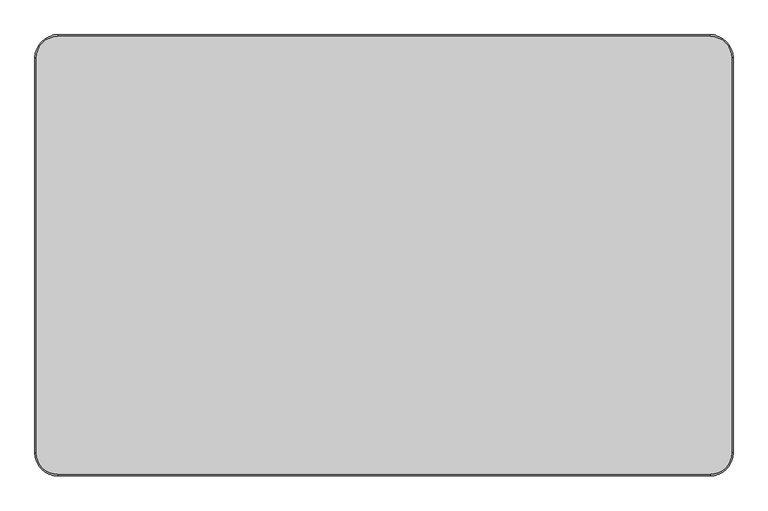
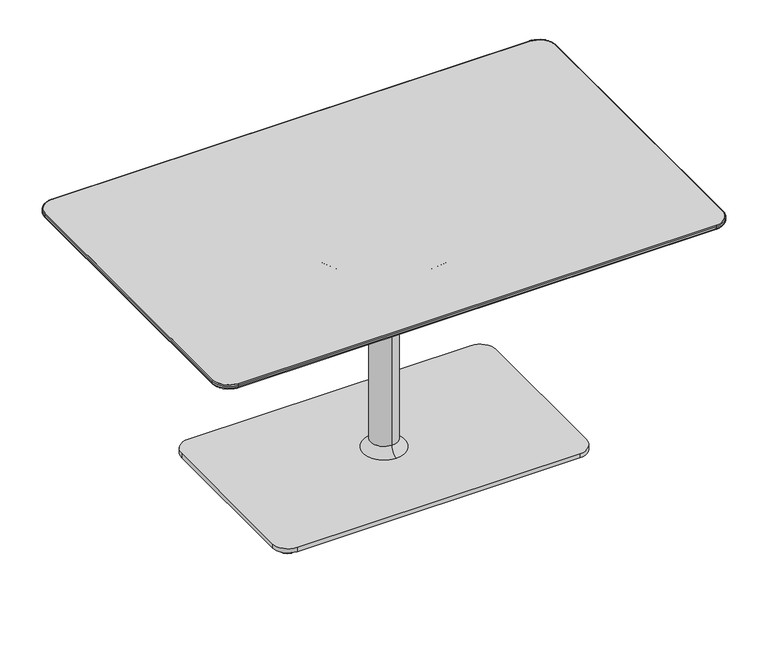
"""IFC4 building model written with IfcOpenShell, lengths in millimetres: furniture geometry."""

from ifc_helpers import new_model, si_unit, point, frame, frame_2d, origin, origin_with_axes, place, context, project, spatial, polyline, circle_curve, ellipse_curve, trimmed, segment, composite_curve, outline, extrude, source, transform, mapped, element, save
from ifc_brep_helpers import plane_surface, cylinder_surface, revolved_surface, spline_surface, advanced_brep


def furniture_2d8f92fe(model_context):
    return source(origin(), model_context, "Body", "SolidModel", [
        advanced_brep(
        [(721.1570059, 409.7063839, 711.8724172), (676.7070059, 454.1563839, 711.8724172), (-676.0969941, 454.1563839, 711.8724172), (-720.5469941, 409.7063839, 711.8724172), (-720.5469941, -409.7063839, 711.8724172), (-676.0969941, -454.1563839, 711.8724172), (676.7070059, -454.1563839, 711.8724172), (721.1570059, -409.7063839, 711.8724172), (653.3389826, 386.3390054, 693.8099277), (653.3389826, -386.3390054, 693.8099277), (-652.7289709, -386.3390054, 693.8099277), (-652.7289709, 386.3390054, 693.8099277)],
        [
            (0, 1, circle_curve(frame((676.7070059, 409.7063839, 711.8724172), z_axis=(0.0, 0.0, 1.0), x_axis=(1.0, 0.0, 0.0)), 44.45)),
            (1, 2),
            (2, 3, circle_curve(frame((-676.0969941, 409.7063839, 711.8724172), z_axis=(0.0, 0.0, 1.0), x_axis=(1.0, 0.0, 0.0)), 44.45)),
            (3, 4),
            (4, 5, circle_curve(frame((-676.0969941, -409.7063839, 711.8724172), z_axis=(0.0, 0.0, 1.0), x_axis=(1.0, 0.0, 0.0)), 44.45)),
            (5, 6),
            (6, 7, circle_curve(frame((676.7070059, -409.7063839, 711.8724172), z_axis=(0.0, 0.0, 1.0), x_axis=(1.0, 0.0, 0.0)), 44.45)),
            (7, 0),
            (8, 9),
            (9, 10),
            (10, 11),
            (11, 8),
            (0, 8),
            (8, 1),
            (11, 2),
            (11, 3),
            (10, 4),
            (10, 5),
            (9, 6),
            (9, 7),
        ],
        [
            plane_surface(frame((0.3050059, 0.0, 711.8724172), z_axis=(0.0, 0.0, 1.0), x_axis=(-1.0, 0.0, 0.0))),
            plane_surface(frame((0.3050059, 0.0, 693.8099277), z_axis=(0.0, 0.0, -1.0), x_axis=(-1.0, 0.0, 0.0))),
            spline_surface(2, 1, [[(653.3389826, 386.3390054, 693.8099277), (721.1570059, 409.7063839, 711.8724172)], [(653.3389826, 386.3390054, 693.8099277), (721.1570058999998, 454.1563838999999, 711.8724172)], [(653.3389826, 386.3390054, 693.8099277), (676.7070059, 454.1563839, 711.8724172)]], [3, 3], [2, 2], [0.0, 1.0], [0.0, 1.0], weights=[[1.0, 1.0], [0.707106781186548, 0.707106781186548], [1.0, 1.0]]),
            plane_surface(frame((0.3050059, 386.3390054, 693.8099277), z_axis=(0.0, 0.25736805130347823, -0.9663134513025523), x_axis=(-1.0, 0.0, 0.0))),
            spline_surface(2, 1, [[(-652.7289709, 386.3390054, 693.8099277), (-676.0969941, 454.1563839, 711.8724172)], [(-652.7289709, 386.3390054, 693.8099277), (-720.5469940999999, 454.1563838999999, 711.8724172)], [(-652.7289709, 386.3390054, 693.8099277), (-720.5469941, 409.7063839, 711.8724172)]], [3, 3], [2, 2], [0.0, 1.0], [0.0, 1.0], weights=[[1.0, 1.0], [0.707106781186548, 0.707106781186548], [1.0, 1.0]]),
            plane_surface(frame((-652.7289709, 0.0, 693.8099277), z_axis=(-0.2573657667501401, 0.0, -0.9663140597678959), x_axis=(0.0, -1.0, 0.0))),
            spline_surface(2, 1, [[(-652.7289709, -386.3390054, 693.8099277), (-720.5469941, -409.7063839, 711.8724172)], [(-652.7289709, -386.3390054, 693.8099277), (-720.5469941000001, -454.15638390000004, 711.8724172)], [(-652.7289709, -386.3390054, 693.8099277), (-676.0969941, -454.1563839, 711.8724172)]], [3, 3], [2, 2], [0.0, 1.0], [0.0, 1.0], weights=[[1.0, 1.0], [0.7071067811865471, 0.7071067811865471], [1.0, 1.0]]),
            plane_surface(frame((0.3050059, -386.3390054, 693.8099277), z_axis=(0.0, -0.25736805130347823, -0.9663134513025523), x_axis=(1.0, 0.0, 0.0))),
            spline_surface(2, 1, [[(653.3389826, -386.3390054, 693.8099277), (676.7070059, -454.1563839, 711.8724172)], [(653.3389826, -386.3390054, 693.8099277), (721.1570059000001, -454.15638390000004, 711.8724172)], [(653.3389826, -386.3390054, 693.8099277), (721.1570059, -409.7063839, 711.8724172)]], [3, 3], [2, 2], [0.0, 1.0], [0.0, 1.0], weights=[[1.0, 1.0], [0.707106781186547, 0.707106781186547], [1.0, 1.0]]),
            plane_surface(frame((653.3389826, 0.0, 693.8099277), z_axis=(0.25736576675014056, 0.0, -0.9663140597678957), x_axis=(0.0, 1.0, 0.0))),
        ],
        [
            (0, [[1, 2, 3, 4, 5, 6, 7, 8]]),
            (1, [[9, 10, 11, 12]]),
            (2, [[-1, 13, 14]]),
            (3, [[-12, 15, -2, -14]]),
            (4, [[-3, -15, 16]]),
            (5, [[-11, 17, -4, -16]]),
            (6, [[-5, -17, 18]]),
            (7, [[-10, 19, -6, -18]]),
            (8, [[-7, -19, 20]]),
            (9, [[-9, -13, -8, -20]]),
        ],
    ),
        extrude(outline(composite_curve([segment(trimmed(circle_curve(frame_2d((676.7070059, 409.7063839)), 44.45), [point((676.7070059, 454.1563839))], [point((721.1570059, 409.7063839))], False, "CARTESIAN"), True, "CONTINUOUS"), segment(polyline([(721.1570059, 409.7063839), (721.1570059, -409.7063839)]), True, "CONTINUOUS"), segment(trimmed(circle_curve(frame_2d((676.7070059, -409.7063839)), 44.45), [point((721.1570059, -409.7063839))], [point((676.7070059, -454.1563839))], False, "CARTESIAN"), True, "CONTINUOUS"), segment(polyline([(676.7070059, -454.1563839), (-676.0969941, -454.1563839)]), True, "CONTINUOUS"), segment(trimmed(circle_curve(frame_2d((-676.0969941, -409.7063839)), 44.45), [point((-676.0969941, -454.1563839))], [point((-720.5469941, -409.7063839))], False, "CARTESIAN"), True, "CONTINUOUS"), segment(polyline([(-720.5469941, -409.7063839), (-720.5469941, 409.7063839)]), True, "CONTINUOUS"), segment(trimmed(circle_curve(frame_2d((-676.0969941, 409.7063839)), 44.45), [point((-720.5469941, 409.7063839))], [point((-676.0969941, 454.1563839))], False, "CARTESIAN"), True, "CONTINUOUS"), segment(polyline([(-676.0969941, 454.1563839), (676.7070059, 454.1563839)]), True, "CONTINUOUS")], self_intersect=False)), frame((0.0, 0.0, 711.8724172), z_axis=(0.0, 0.0, 1.0), x_axis=(1.0, 0.0, 0.0)), (0.0, 0.0, 1.0), 12.0275828),
        extrude(outline(composite_curve([segment(trimmed(circle_curve(frame_2d((-404.2943146, 226.8029495)), 25.4), [point((-429.6943146, 226.8029495))], [point((-378.8943146, 226.8029495))], False, "CARTESIAN"), True, "CONTINUOUS"), segment(trimmed(circle_curve(frame_2d((-404.2943146, 226.8029495)), 25.4), [point((-378.8943146, 226.8029495))], [point((-429.6943146, 226.8029495))], False, "CARTESIAN"), True, "CONTINUOUS")], self_intersect=False)), origin_with_axes(), (0.0, 0.0, 1.0), 10.6571495),
        extrude(outline(composite_curve([segment(trimmed(circle_curve(frame_2d((404.9043263, 226.8029495)), 25.4), [point((379.5043263, 226.8029495))], [point((430.3043263, 226.8029495))], False, "CARTESIAN"), True, "CONTINUOUS"), segment(trimmed(circle_curve(frame_2d((404.9043263, 226.8029495)), 25.4), [point((430.3043263, 226.8029495))], [point((379.5043263, 226.8029495))], False, "CARTESIAN"), True, "CONTINUOUS")], self_intersect=False)), origin_with_axes(), (0.0, 0.0, 1.0), 10.6571495),
        extrude(outline(composite_curve([segment(trimmed(circle_curve(frame_2d((404.9043263, -226.8029495)), 25.4), [point((379.5043263, -226.8029495))], [point((430.3043263, -226.8029495))], False, "CARTESIAN"), True, "CONTINUOUS"), segment(trimmed(circle_curve(frame_2d((404.9043263, -226.8029495)), 25.4), [point((430.3043263, -226.8029495))], [point((379.5043263, -226.8029495))], False, "CARTESIAN"), True, "CONTINUOUS")], self_intersect=False)), origin_with_axes(), (0.0, 0.0, 1.0), 10.6571495),
        extrude(outline(composite_curve([segment(trimmed(circle_curve(frame_2d((-404.2943146, -226.8029495)), 25.4), [point((-429.6943146, -226.8029495))], [point((-378.8943146, -226.8029495))], False, "CARTESIAN"), True, "CONTINUOUS"), segment(trimmed(circle_curve(frame_2d((-404.2943146, -226.8029495)), 25.4), [point((-378.8943146, -226.8029495))], [point((-429.6943146, -226.8029495))], False, "CARTESIAN"), True, "CONTINUOUS")], self_intersect=False)), origin_with_axes(), (0.0, 0.0, 1.0), 10.6571495),
        extrude(outline(composite_curve([segment(trimmed(circle_curve(frame_2d((400.3550059, 222.2481833)), 44.45), [point((400.3550059, 266.6981833))], [point((444.8050059, 222.2481833))], False, "CARTESIAN"), True, "CONTINUOUS"), segment(polyline([(444.8050059, 222.2481833), (444.8050059, -222.2481833)]), True, "CONTINUOUS"), segment(trimmed(circle_curve(frame_2d((400.3550059, -222.2481833)), 44.45), [point((444.8050059, -222.2481833))], [point((400.3550059, -266.6981833))], False, "CARTESIAN"), True, "CONTINUOUS"), segment(polyline([(400.3550059, -266.6981833), (-399.7449941, -266.6981833)]), True, "CONTINUOUS"), segment(trimmed(circle_curve(frame_2d((-399.7449941, -222.2481833)), 44.45), [point((-399.7449941, -266.6981833))], [point((-444.1949941, -222.2481833))], False, "CARTESIAN"), True, "CONTINUOUS"), segment(polyline([(-444.1949941, -222.2481833), (-444.1949941, 222.2481833)]), True, "CONTINUOUS"), segment(trimmed(circle_curve(frame_2d((-399.7449941, 222.2481833)), 44.45), [point((-444.1949941, 222.2481833))], [point((-399.7449941, 266.6981833))], False, "CARTESIAN"), True, "CONTINUOUS"), segment(polyline([(-399.7449941, 266.6981833), (400.3550059, 266.6981833)]), True, "CONTINUOUS")], self_intersect=False)), frame((0.0, 0.0, 10.6571495), z_axis=(0.0, 0.0, 1.0), x_axis=(1.0, 0.0, 0.0)), (0.0, 0.0, 1.0), 12.7000004),
        advanced_brep(
        [(-723.5930954, 409.7063839, 715.6656816), (-676.0969941, 457.2024852, 715.6656816), (-676.0969941, 454.1563839, 711.8724172), (-720.5469941, 409.7063839, 711.8724172), (-723.5930954, 409.7063839, 720.8538988), (-676.0969941, 457.2024852, 720.8538988), (-720.5469941, 409.7063839, 723.9), (-676.0969941, 454.1563839, 723.9), (-720.5469941, -409.7063839, 711.8724172), (-723.5930954, -409.7063839, 715.6656816), (-723.5930954, -409.7063839, 720.8538988), (-720.5469941, -409.7063839, 723.9), (-676.0969941, -457.2024852, 715.6656816), (-676.0969941, -454.1563839, 711.8724172), (-676.0969941, -457.2024852, 720.8538988), (-676.0969941, -454.1563839, 723.9), (676.7070059, -454.1563839, 711.8724172), (676.7070059, -457.2024852, 715.6656816), (676.7070059, -457.2024852, 720.8538988), (676.7070059, -454.1563839, 723.9), (724.2031071, -409.7063839, 715.6656816), (721.1570059, -409.7063839, 711.8724172), (724.2031071, -409.7063839, 720.8538988), (721.1570059, -409.7063839, 723.9), (721.1570059, 409.7063839, 711.8724172), (724.2031071, 409.7063839, 715.6656816), (724.2031071, 409.7063839, 720.8538988), (721.1570059, 409.7063839, 723.9), (676.7070059, 457.2024852, 715.6656816), (676.7070059, 454.1563839, 711.8724172), (676.7070059, 457.2024852, 720.8538988), (676.7070059, 454.1563839, 723.9)],
        [
            (0, 1, circle_curve(frame((-676.0969941, 409.7063839, 715.6656816), z_axis=(0.0, 0.0, -1.0), x_axis=(0.0, 1.0, 0.0)), 47.4961012)),
            (1, 2, circle_curve(frame((-676.0969941, 453.3175869, 715.6656816), z_axis=(-1.0, 0.0, 0.0), x_axis=(0.0, -1.0, 0.0)), 3.8848983)),
            (2, 3, circle_curve(frame((-676.0969941, 409.7063839, 711.8724172), z_axis=(0.0, 0.0, 1.0), x_axis=(0.0, 1.0, 0.0)), 44.45)),
            (3, 0, circle_curve(frame((-719.7081971, 409.7063839, 715.6656816), z_axis=(0.0, 1.0, 0.0), x_axis=(1.0, 0.0, 0.0)), 3.8848983)),
            (4, 5, circle_curve(frame((-676.0969941, 409.7063839, 720.8538988), z_axis=(0.0, 0.0, -1.0), x_axis=(0.0, 1.0, 0.0)), 47.4961012)),
            (5, 1),
            (0, 4),
            (6, 7, circle_curve(frame((-676.0969941, 409.7063839, 723.9), z_axis=(0.0, 0.0, -1.0), x_axis=(0.0, 1.0, 0.0)), 44.45)),
            (7, 5, circle_curve(frame((-676.0969941, 454.1563839, 720.8538988), z_axis=(-1.0, 0.0, 0.0), x_axis=(0.0, -1.0, 0.0)), 3.0461012)),
            (4, 6, circle_curve(frame((-720.5469941, 409.7063839, 720.8538988), z_axis=(0.0, 1.0, 0.0), x_axis=(1.0, 0.0, 0.0)), 3.0461012)),
            (2, 7),
            (6, 3),
            (3, 8),
            (8, 9, circle_curve(frame((-719.7081971, -409.7063839, 715.6656816), z_axis=(0.0, 1.0, 0.0), x_axis=(1.0, 0.0, 0.0)), 3.8848983)),
            (9, 0),
            (9, 10),
            (10, 4),
            (10, 11, circle_curve(frame((-720.5469941, -409.7063839, 720.8538988), z_axis=(0.0, 1.0, 0.0), x_axis=(1.0, 0.0, 0.0)), 3.0461012)),
            (11, 6),
            (11, 8),
            (12, 9, circle_curve(frame((-676.0969941, -409.7063839, 715.6656816), z_axis=(0.0, 0.0, -1.0), x_axis=(-1.0, 0.0, 0.0)), 47.4961012)),
            (8, 13, circle_curve(frame((-676.0969941, -409.7063839, 711.8724172), z_axis=(0.0, 0.0, 1.0), x_axis=(-1.0, 0.0, 0.0)), 44.45)),
            (13, 12, circle_curve(frame((-676.0969941, -453.3175869, 715.6656816), z_axis=(-1.0, 0.0, 0.0), x_axis=(0.0, 1.0, 0.0)), 3.8848983)),
            (14, 10, circle_curve(frame((-676.0969941, -409.7063839, 720.8538988), z_axis=(0.0, 0.0, -1.0), x_axis=(-1.0, 0.0, 0.0)), 47.4961012)),
            (12, 14),
            (15, 11, circle_curve(frame((-676.0969941, -409.7063839, 723.9), z_axis=(0.0, 0.0, -1.0), x_axis=(-1.0, 0.0, 0.0)), 44.45)),
            (14, 15, circle_curve(frame((-676.0969941, -454.1563839, 720.8538988), z_axis=(-1.0, 0.0, 0.0), x_axis=(0.0, 1.0, 0.0)), 3.0461012)),
            (15, 13),
            (13, 16),
            (16, 17, circle_curve(frame((676.7070059, -453.3175869, 715.6656816), z_axis=(-1.0, 0.0, 0.0), x_axis=(0.0, 1.0, 0.0)), 3.8848983)),
            (17, 12),
            (17, 18),
            (18, 14),
            (18, 19, circle_curve(frame((676.7070059, -454.1563839, 720.8538988), z_axis=(-1.0, 0.0, 0.0), x_axis=(0.0, 1.0, 0.0)), 3.0461012)),
            (19, 15),
            (19, 16),
            (20, 17, circle_curve(frame((676.7070059, -409.7063839, 715.6656816), z_axis=(0.0, 0.0, -1.0), x_axis=(0.0, -1.0, 0.0)), 47.4961012)),
            (16, 21, circle_curve(frame((676.7070059, -409.7063839, 711.8724172), z_axis=(0.0, 0.0, 1.0), x_axis=(0.0, -1.0, 0.0)), 44.45)),
            (21, 20, circle_curve(frame((720.3182088, -409.7063839, 715.6656816), z_axis=(0.0, -1.0, 0.0), x_axis=(-1.0, 0.0, 0.0)), 3.8848983)),
            (22, 18, circle_curve(frame((676.7070059, -409.7063839, 720.8538988), z_axis=(0.0, 0.0, -1.0), x_axis=(0.0, -1.0, 0.0)), 47.4961012)),
            (20, 22),
            (23, 19, circle_curve(frame((676.7070059, -409.7063839, 723.9), z_axis=(0.0, 0.0, -1.0), x_axis=(0.0, -1.0, 0.0)), 44.45)),
            (22, 23, circle_curve(frame((721.1570059, -409.7063839, 720.8538988), z_axis=(0.0, -1.0, 0.0), x_axis=(-1.0, 0.0, 0.0)), 3.0461012)),
            (23, 21),
            (21, 24),
            (24, 25, circle_curve(frame((720.3182088, 409.7063839, 715.6656816), z_axis=(0.0, -1.0, 0.0), x_axis=(-1.0, 0.0, 0.0)), 3.8848983)),
            (25, 20),
            (25, 26),
            (26, 22),
            (26, 27, circle_curve(frame((721.1570059, 409.7063839, 720.8538988), z_axis=(0.0, -1.0, 0.0), x_axis=(-1.0, 0.0, 0.0)), 3.0461012)),
            (27, 23),
            (27, 24),
            (28, 25, circle_curve(frame((676.7070059, 409.7063839, 715.6656816), z_axis=(0.0, 0.0, -1.0), x_axis=(1.0, 0.0, 0.0)), 47.4961012)),
            (24, 29, circle_curve(frame((676.7070059, 409.7063839, 711.8724172), z_axis=(0.0, 0.0, 1.0), x_axis=(1.0, 0.0, 0.0)), 44.45)),
            (29, 28, circle_curve(frame((676.7070059, 453.3175869, 715.6656816), z_axis=(1.0, 0.0, 0.0), x_axis=(0.0, -1.0, 0.0)), 3.8848983)),
            (30, 26, circle_curve(frame((676.7070059, 409.7063839, 720.8538988), z_axis=(0.0, 0.0, -1.0), x_axis=(1.0, 0.0, 0.0)), 47.4961012)),
            (28, 30),
            (31, 27, circle_curve(frame((676.7070059, 409.7063839, 723.9), z_axis=(0.0, 0.0, -1.0), x_axis=(1.0, 0.0, 0.0)), 44.45)),
            (30, 31, circle_curve(frame((676.7070059, 454.1563839, 720.8538988), z_axis=(1.0, 0.0, 0.0), x_axis=(0.0, -1.0, 0.0)), 3.0461012)),
            (31, 29),
            (29, 2),
            (1, 28),
            (5, 30),
            (7, 31),
        ],
        [
            revolved_surface(trimmed(ellipse_curve(frame((-676.0969941, 453.3175869, 715.6656816), z_axis=(1.0, 0.0, 0.0), x_axis=(0.0, -1.0, 0.0)), 3.8848983, 3.8848983), [point((-676.0969941, 454.1563839, 711.8724172))], [point((-676.0969941, 457.2024852, 715.6656816))], True, "CARTESIAN"), (-676.0969941, 409.7063839, 0.0), (0.0, 0.0, 1.0)),
            cylinder_surface(frame((-676.0969941, 409.7063839, 0.0), z_axis=(0.0, 0.0, 1.0), x_axis=(0.0, 1.0, 0.0)), 47.4961012),
            revolved_surface(trimmed(ellipse_curve(frame((-676.0969941, 454.1563839, 720.8538988), z_axis=(1.0, 0.0, 0.0), x_axis=(0.0, -1.0, 0.0)), 3.0461012, 3.0461012), [point((-676.0969941, 457.2024852, 720.8538988))], [point((-676.0969941, 454.1563839, 723.9))], True, "CARTESIAN"), (-676.0969941, 409.7063839, 0.0), (0.0, 0.0, 1.0)),
            revolved_surface(polyline([(-676.0969941, 454.1563839, 723.9), (-676.0969941, 454.1563839, 711.8724172)]), (-676.0969941, 409.7063839, 0.0), (0.0, 0.0, 1.0)),
            cylinder_surface(frame((-719.7081971, 409.7063839, 715.6656816), z_axis=(0.0, 1.0, 0.0), x_axis=(1.0, 0.0, 0.0)), 3.8848983),
            plane_surface(frame((-723.5930954, 409.7063839, 715.6656816), z_axis=(-1.0, 0.0, 0.0), x_axis=(0.0, -1.0, 0.0))),
            cylinder_surface(frame((-720.5469941, 409.7063839, 720.8538988), z_axis=(0.0, 1.0, 0.0), x_axis=(1.0, 0.0, 0.0)), 3.0461012),
            plane_surface(frame((-720.5469941, 409.7063839, 723.9), z_axis=(1.0, 0.0, 0.0), x_axis=(0.0, -1.0, 0.0))),
            revolved_surface(trimmed(ellipse_curve(frame((-719.7081971, -409.7063839, 715.6656816), z_axis=(0.0, 1.0, 0.0), x_axis=(1.0, 0.0, 0.0)), 3.8848983, 3.8848983), [point((-720.5469941, -409.7063839, 711.8724172))], [point((-723.5930954, -409.7063839, 715.6656816))], True, "CARTESIAN"), (-676.0969941, -409.7063839, 0.0), (0.0, 0.0, 1.0)),
            cylinder_surface(frame((-676.0969941, -409.7063839, 0.0), z_axis=(0.0, 0.0, 1.0), x_axis=(-1.0, 0.0, 0.0)), 47.4961012),
            revolved_surface(trimmed(ellipse_curve(frame((-720.5469941, -409.7063839, 720.8538988), z_axis=(0.0, 1.0, 0.0), x_axis=(1.0, 0.0, 0.0)), 3.0461012, 3.0461012), [point((-723.5930954, -409.7063839, 720.8538988))], [point((-720.5469941, -409.7063839, 723.9))], True, "CARTESIAN"), (-676.0969941, -409.7063839, 0.0), (0.0, 0.0, 1.0)),
            revolved_surface(polyline([(-720.5469941, -409.7063839, 723.9), (-720.5469941, -409.7063839, 711.8724172)]), (-676.0969941, -409.7063839, 0.0), (0.0, 0.0, 1.0)),
            cylinder_surface(frame((-676.0969941, -453.3175869, 715.6656816), z_axis=(-1.0, 0.0, 0.0), x_axis=(0.0, 1.0, 0.0)), 3.8848983),
            plane_surface(frame((-676.0969941, -457.2024852, 715.6656816), z_axis=(0.0, -1.0, 0.0), x_axis=(1.0, 0.0, 0.0))),
            cylinder_surface(frame((-676.0969941, -454.1563839, 720.8538988), z_axis=(-1.0, 0.0, 0.0), x_axis=(0.0, 1.0, 0.0)), 3.0461012),
            plane_surface(frame((-676.0969941, -454.1563839, 723.9), z_axis=(0.0, 1.0, 0.0), x_axis=(1.0, 0.0, 0.0))),
            revolved_surface(trimmed(ellipse_curve(frame((676.7070059, -453.3175869, 715.6656816), z_axis=(-1.0, 0.0, 0.0), x_axis=(0.0, 1.0, 0.0)), 3.8848983, 3.8848983), [point((676.7070059, -454.1563839, 711.8724172))], [point((676.7070059, -457.2024852, 715.6656816))], True, "CARTESIAN"), (676.7070059, -409.7063839, 0.0), (0.0, 0.0, 1.0)),
            cylinder_surface(frame((676.7070059, -409.7063839, 0.0), z_axis=(0.0, 0.0, 1.0), x_axis=(0.0, -1.0, 0.0)), 47.4961012),
            revolved_surface(trimmed(ellipse_curve(frame((676.7070059, -454.1563839, 720.8538988), z_axis=(-1.0, 0.0, 0.0), x_axis=(0.0, 1.0, 0.0)), 3.0461012, 3.0461012), [point((676.7070059, -457.2024852, 720.8538988))], [point((676.7070059, -454.1563839, 723.9))], True, "CARTESIAN"), (676.7070059, -409.7063839, 0.0), (0.0, 0.0, 1.0)),
            revolved_surface(polyline([(676.7070059, -454.1563839, 723.9), (676.7070059, -454.1563839, 711.8724172)]), (676.7070059, -409.7063839, 0.0), (0.0, 0.0, 1.0)),
            cylinder_surface(frame((720.3182088, -409.7063839, 715.6656816), z_axis=(0.0, -1.0, 0.0), x_axis=(-1.0, 0.0, 0.0)), 3.8848983),
            plane_surface(frame((724.2031071, -409.7063839, 715.6656816), z_axis=(1.0, 0.0, 0.0), x_axis=(0.0, 1.0, 0.0))),
            cylinder_surface(frame((721.1570059, -409.7063839, 720.8538988), z_axis=(0.0, -1.0, 0.0), x_axis=(-1.0, 0.0, 0.0)), 3.0461012),
            plane_surface(frame((721.1570059, -409.7063839, 723.9), z_axis=(-1.0, 0.0, 0.0), x_axis=(0.0, 1.0, 0.0))),
            revolved_surface(trimmed(ellipse_curve(frame((720.3182088, 409.7063839, 715.6656816), z_axis=(0.0, -1.0, 0.0), x_axis=(-1.0, 0.0, 0.0)), 3.8848983, 3.8848983), [point((721.1570059, 409.7063839, 711.8724172))], [point((724.2031071, 409.7063839, 715.6656816))], True, "CARTESIAN"), (676.7070059, 409.7063839, 0.0), (0.0, 0.0, 1.0)),
            cylinder_surface(frame((676.7070059, 409.7063839, 0.0), z_axis=(0.0, 0.0, 1.0), x_axis=(1.0, 0.0, 0.0)), 47.4961012),
            revolved_surface(trimmed(ellipse_curve(frame((721.1570059, 409.7063839, 720.8538988), z_axis=(0.0, -1.0, 0.0), x_axis=(-1.0, 0.0, 0.0)), 3.0461012, 3.0461012), [point((724.2031071, 409.7063839, 720.8538988))], [point((721.1570059, 409.7063839, 723.9))], True, "CARTESIAN"), (676.7070059, 409.7063839, 0.0), (0.0, 0.0, 1.0)),
            revolved_surface(polyline([(721.1570059000001, 409.7063839, 723.9), (721.1570059000001, 409.7063839, 711.8724172)]), (676.7070059, 409.7063839, 0.0), (0.0, 0.0, 1.0)),
            cylinder_surface(frame((676.7070059, 453.3175869, 715.6656816), z_axis=(1.0, 0.0, 0.0), x_axis=(0.0, -1.0, 0.0)), 3.8848983),
            plane_surface(frame((676.7070059, 457.2024852, 715.6656816), z_axis=(0.0, 1.0, 0.0), x_axis=(-1.0, 0.0, 0.0))),
            cylinder_surface(frame((676.7070059, 454.1563839, 720.8538988), z_axis=(1.0, 0.0, 0.0), x_axis=(0.0, -1.0, 0.0)), 3.0461012),
            plane_surface(frame((676.7070059, 454.1563839, 723.9), z_axis=(0.0, -1.0, 0.0), x_axis=(-1.0, 0.0, 0.0))),
        ],
        [
            (0, [[1, 2, 3, 4]]),
            (1, [[5, 6, -1, 7]]),
            (2, [[8, 9, -5, 10]]),
            (3, [[-3, 11, -8, 12]]),
            (4, [[-4, 13, 14, 15]]),
            (5, [[-7, -15, 16, 17]]),
            (6, [[-10, -17, 18, 19]]),
            (7, [[-12, -19, 20, -13]]),
            (8, [[21, -14, 22, 23]]),
            (9, [[24, -16, -21, 25]]),
            (10, [[26, -18, -24, 27]]),
            (11, [[-22, -20, -26, 28]]),
            (12, [[-23, 29, 30, 31]]),
            (13, [[-25, -31, 32, 33]]),
            (14, [[-27, -33, 34, 35]]),
            (15, [[-28, -35, 36, -29]]),
            (16, [[37, -30, 38, 39]]),
            (17, [[40, -32, -37, 41]]),
            (18, [[42, -34, -40, 43]]),
            (19, [[-38, -36, -42, 44]]),
            (20, [[-39, 45, 46, 47]]),
            (21, [[-41, -47, 48, 49]]),
            (22, [[-43, -49, 50, 51]]),
            (23, [[-44, -51, 52, -45]]),
            (24, [[53, -46, 54, 55]]),
            (25, [[56, -48, -53, 57]]),
            (26, [[58, -50, -56, 59]]),
            (27, [[-54, -52, -58, 60]]),
            (28, [[-55, 61, -2, 62]]),
            (29, [[-57, -62, -6, 63]]),
            (30, [[-59, -63, -9, 64]]),
            (31, [[-60, -64, -11, -61]]),
        ],
    ),
        advanced_brep(
        [(0.3050059, -37.9287895, 564.3567695), (0.3050059, 37.9287895, 564.3567695), (0.3050059, 37.9287895, 50.0429711), (0.3050059, -37.9287895, 50.0429711), (0.3050059, -59.3395816, 602.3698908), (0.3050059, 59.3395816, 602.3698908), (0.3050059, -197.9068019, 686.3534968), (0.3050059, 197.9068019, 686.3534968), (0.3050059, -212.4265152, 690.4101307), (0.3050059, 212.4265152, 690.4101307), (0.3050059, -226.4292749, 690.4101307), (0.3050059, 226.4292749, 690.4101307), (0.3050059, -228.4774392, 693.8099277), (0.3050059, 228.4774392, 693.8099277), (0.3050059, 0.0, 693.8099277), (0.3050059, -60.2304855, 23.3571499), (0.3050059, 60.2304855, 23.3571499), (0.3050059, 0.0, 23.3571499)],
        [
            (0, 1, circle_curve(frame((0.3050059, 0.0, 564.3567695), z_axis=(0.0, 0.0, -1.0), x_axis=(0.0, 1.0, 0.0)), 37.9287895)),
            (1, 2),
            (2, 3, circle_curve(frame((0.3050059, 0.0, 50.0429711), z_axis=(0.0, 0.0, 1.0), x_axis=(0.0, 1.0, 0.0)), 37.9287895)),
            (3, 0),
            (1, 0, circle_curve(frame((0.3050059, 0.0, 564.3567695), z_axis=(0.0, 0.0, -1.0), x_axis=(0.0, 1.0, 0.0)), 37.9287895)),
            (3, 2, circle_curve(frame((0.3050059, 0.0, 50.0429711), z_axis=(0.0, 0.0, 1.0), x_axis=(0.0, 1.0, 0.0)), 37.9287895)),
            (4, 5, circle_curve(frame((0.3050059, 0.0, 602.3698908), z_axis=(0.0, 0.0, -1.0), x_axis=(0.0, 1.0, 0.0)), 59.3395816)),
            (5, 1, circle_curve(frame((0.3050059, 82.3787895, 564.3567695), z_axis=(1.0, 0.0, 0.0), x_axis=(0.0, 1.0, 0.0)), 44.45)),
            (0, 4, circle_curve(frame((0.3050059, -82.3787895, 564.3567695), z_axis=(1.0, 0.0, 0.0), x_axis=(0.0, -1.0, 0.0)), 44.45)),
            (5, 4, circle_curve(frame((0.3050059, 0.0, 602.3698908), z_axis=(0.0, 0.0, -1.0), x_axis=(0.0, 1.0, 0.0)), 59.3395816)),
            (6, 7, circle_curve(frame((0.3050059, 0.0, 686.3534968), z_axis=(0.0, 0.0, -1.0), x_axis=(0.0, 1.0, 0.0)), 197.9068019)),
            (7, 5),
            (4, 6),
            (7, 6, circle_curve(frame((0.3050059, 0.0, 686.3534968), z_axis=(0.0, 0.0, -1.0), x_axis=(0.0, 1.0, 0.0)), 197.9068019)),
            (8, 9, circle_curve(frame((0.3050059, 0.0, 690.4101307), z_axis=(0.0, 0.0, -1.0), x_axis=(0.0, 1.0, 0.0)), 212.4265152)),
            (9, 7, circle_curve(frame((0.3050059, 212.4265152, 662.3969605), z_axis=(1.0, 0.0, 0.0), x_axis=(0.0, 1.0, 0.0)), 28.0131702)),
            (6, 8, circle_curve(frame((0.3050059, -212.4265152, 662.3969605), z_axis=(1.0, 0.0, 0.0), x_axis=(0.0, -1.0, 0.0)), 28.0131702)),
            (9, 8, circle_curve(frame((0.3050059, 0.0, 690.4101307), z_axis=(0.0, 0.0, -1.0), x_axis=(0.0, 1.0, 0.0)), 212.4265152)),
            (10, 11, circle_curve(frame((0.3050059, 0.0, 690.4101307), z_axis=(0.0, 0.0, -1.0), x_axis=(0.0, 1.0, 0.0)), 226.4292749)),
            (11, 9),
            (8, 10),
            (11, 10, circle_curve(frame((0.3050059, 0.0, 690.4101307), z_axis=(0.0, 0.0, -1.0), x_axis=(0.0, 1.0, 0.0)), 226.4292749)),
            (12, 13, circle_curve(frame((0.3050059, 0.0, 693.8099277), z_axis=(0.0, 0.0, -1.0), x_axis=(0.0, 1.0, 0.0)), 228.4774392)),
            (13, 11, circle_curve(frame((0.3050059, 226.4292749, 692.7269744), z_axis=(-1.0, 0.0, 0.0), x_axis=(0.0, 1.0, 0.0)), 2.3168437)),
            (10, 12, circle_curve(frame((0.3050059, -226.4292749, 692.7269744), z_axis=(-1.0, 0.0, 0.0), x_axis=(0.0, -1.0, 0.0)), 2.3168437)),
            (13, 12, circle_curve(frame((0.3050059, 0.0, 693.8099277), z_axis=(0.0, 0.0, -1.0), x_axis=(0.0, 1.0, 0.0)), 228.4774392)),
            (14, 13),
            (12, 14),
            (15, 16, circle_curve(frame((0.3050059, 0.0, 23.3571499), z_axis=(0.0, 0.0, -1.0), x_axis=(0.0, 1.0, 0.0)), 60.2304855)),
            (16, 17),
            (17, 15),
            (16, 15, circle_curve(frame((0.3050059, 0.0, 23.3571499), z_axis=(0.0, 0.0, -1.0), x_axis=(0.0, 1.0, 0.0)), 60.2304855)),
            (2, 16, circle_curve(frame((0.3050059, 65.045532, 50.0429711), z_axis=(1.0, 0.0, 0.0), x_axis=(0.0, 1.0, 0.0)), 27.1167425)),
            (15, 3, circle_curve(frame((0.3050059, -65.045532, 50.0429711), z_axis=(1.0, 0.0, 0.0), x_axis=(0.0, -1.0, 0.0)), 27.1167425)),
        ],
        [
            cylinder_surface(frame((0.3050059, 0.0, 801.7745102), z_axis=(0.0, 0.0, 1.0), x_axis=(0.0, 1.0, 0.0)), 37.9287895),
            revolved_surface(trimmed(ellipse_curve(frame((0.3050059, 82.3787895, 564.3567695), z_axis=(-1.0, 0.0, 0.0), x_axis=(0.0, 1.0, 0.0)), 44.45, 44.45), [point((0.3050059, 37.9287895, 564.3567695))], [point((0.3050059, 59.3395816, 602.3698908))], True, "CARTESIAN"), (0.3050059, 0.0, 801.7745102), (0.0, 0.0, 1.0)),
            revolved_surface(polyline([(0.3050059, 59.3395816, 602.3698908), (0.3050059, 197.9068019, 686.3534968)]), (0.3050059, 0.0, 801.7745102), (0.0, 0.0, 1.0)),
            revolved_surface(trimmed(ellipse_curve(frame((0.3050059, 212.4265152, 662.3969605), z_axis=(-1.0, 0.0, 0.0), x_axis=(0.0, 1.0, 0.0)), 28.0131702, 28.0131702), [point((0.3050059, 197.9068019, 686.3534968))], [point((0.3050059, 212.4265152, 690.4101307))], True, "CARTESIAN"), (0.3050059, 0.0, 801.7745102), (0.0, 0.0, 1.0)),
            plane_surface(frame((0.3050059, 0.0, 690.4101307), z_axis=(0.0, 0.0, -1.0), x_axis=(0.0, 1.0, 0.0))),
            revolved_surface(trimmed(ellipse_curve(frame((0.3050059, 226.4292749, 692.7269744), z_axis=(1.0, 0.0, 0.0), x_axis=(0.0, 1.0, 0.0)), 2.3168437, 2.3168437), [point((0.3050059, 226.4292749, 690.4101307))], [point((0.3050059, 228.4774392, 693.8099277))], True, "CARTESIAN"), (0.3050059, 0.0, 801.7745102), (0.0, 0.0, 1.0)),
            plane_surface(frame((0.3050059, 0.0, 693.8099277), z_axis=(0.0, 0.0, 1.0), x_axis=(0.0, 1.0, 0.0))),
            plane_surface(frame((0.3050059, 0.0, 23.3571499), z_axis=(0.0, 0.0, -1.0), x_axis=(0.0, 1.0, 0.0))),
            revolved_surface(trimmed(ellipse_curve(frame((0.3050059, 65.045532, 50.0429711), z_axis=(-1.0, 0.0, 0.0), x_axis=(0.0, 1.0, 0.0)), 27.1167425, 27.1167425), [point((0.3050059, 60.2304855, 23.3571499))], [point((0.3050059, 37.9287895, 50.0429711))], True, "CARTESIAN"), (0.3050059, 0.0, 801.7745102), (0.0, 0.0, 1.0)),
        ],
        [
            (0, [[1, 2, 3, 4]]),
            (0, [[5, -4, 6, -2]]),
            (1, [[7, 8, -1, 9]]),
            (1, [[10, -9, -5, -8]]),
            (2, [[11, 12, -7, 13]]),
            (2, [[14, -13, -10, -12]]),
            (3, [[15, 16, -11, 17]]),
            (3, [[18, -17, -14, -16]]),
            (4, [[19, 20, -15, 21]]),
            (4, [[22, -21, -18, -20]]),
            (5, [[23, 24, -19, 25]]),
            (5, [[26, -25, -22, -24]]),
            (6, [[27, -23, 28]]),
            (6, [[-28, -26, -27]]),
            (7, [[29, 30, 31]]),
            (7, [[32, -31, -30]]),
            (8, [[-3, 33, -29, 34]]),
            (8, [[-6, -34, -32, -33]]),
        ],
    ),
    ])


if __name__ == "__main__":
    model = new_model("IFC4")
    model_context = context("Model", 3, world=origin())
    ifc_project = project(units=[si_unit("LENGTHUNIT", "METRE", prefix="MILLI")], contexts=[model_context])
    site = spatial("IfcSite", under=ifc_project)
    building = spatial("IfcBuilding", under=site)
    placement = place(None, origin())
    furniture_shape = furniture_2d8f92fe(model_context)
    element("IfcFurniture", 1, at=placement, inside=building, context=model_context, shape_type="MappedRepresentation", body=[
        mapped(furniture_shape, transform((0.0, 0.0, 0.0), x_axis=(1.0, 0.0, 0.0), y_axis=(0.0, 1.0, 0.0), z_axis=(0.0, 0.0, 1.0))),
    ])
    save(model, "model.ifc")
